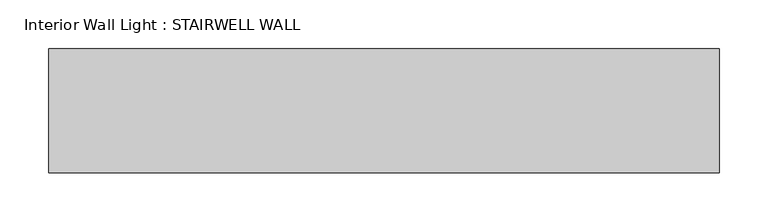
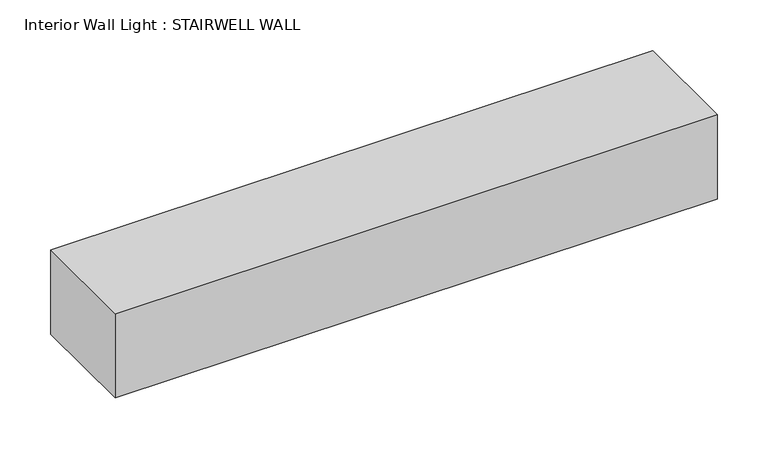
"""IFC4 building model written with IfcOpenShell, lengths in millimetres: light fixture geometry, Interior Wall Light : STAIRWELL WALL."""

from ifc_helpers import new_model, si_unit, frame, origin, place, context, project, spatial, polyline, outline, extrude, source, transform, mapped, element, save


def interior_wall_light_stairwell_wall_a4185776(model_context):
    return source(origin(), model_context, "Body", "SweptSolid", [
        extrude(outline(polyline([(-377.3117675, 14.6745302), (308.4882325, 14.6745302), (308.4882325, -112.3254698), (-377.3117675, -112.3254698), (-377.3117675, 14.6745302)])), frame((0.0, 0.0, 1981.2), z_axis=(0.0, 0.0, 1.0), x_axis=(1.0, 0.0, 0.0)), (0.0, 0.0, 1.0), 101.6),
    ])


if __name__ == "__main__":
    model = new_model("IFC4")
    model_context = context("Model", 3, world=origin())
    ifc_project = project(units=[si_unit("LENGTHUNIT", "METRE", prefix="MILLI")], contexts=[model_context])
    site = spatial("IfcSite", under=ifc_project)
    building = spatial("IfcBuilding", under=site)
    placement = place(None, origin())
    interior_wall_light_stairwell_wall_shape = interior_wall_light_stairwell_wall_a4185776(model_context)
    element("IfcLightFixture", 1, ObjectType="Interior Wall Light : STAIRWELL WALL", at=placement, inside=building, context=model_context, shape_type="MappedRepresentation", body=[
        mapped(interior_wall_light_stairwell_wall_shape, transform((0.0, 0.0, 0.0), x_axis=(1.0, 0.0, 0.0), y_axis=(0.0, 1.0, 0.0), z_axis=(0.0, 0.0, 1.0))),
    ])
    save(model, "model.ifc")
